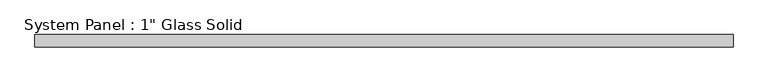
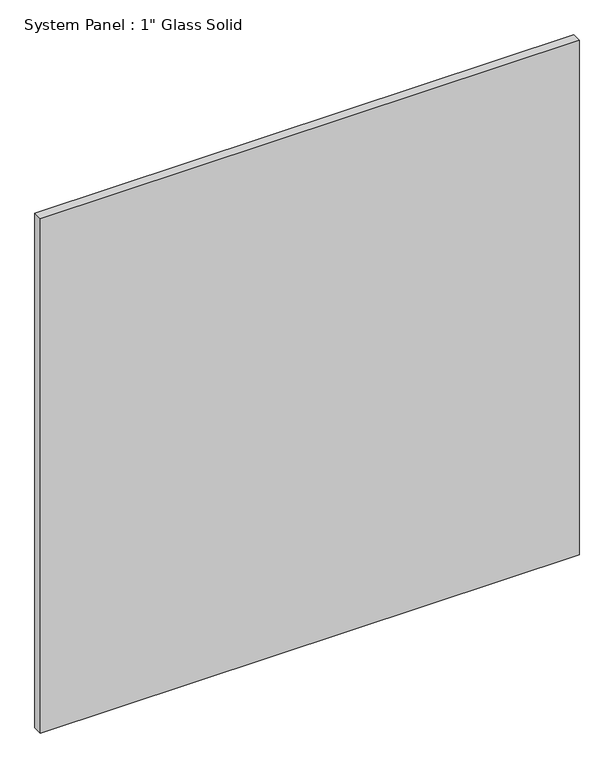
"""IFC4 building model written with IfcOpenShell, lengths in millimetres: plate geometry."""

from ifc_helpers import new_model, si_unit, origin, origin_with_axes, place, context, project, spatial, polyline, outline, extrude, source, transform, mapped, element, save


def plate_792acacb(model_context):
    return source(origin(), model_context, "Body", "SweptSolid", [
        extrude(outline(polyline([(716.4429024, -12.7), (-716.4429024, -12.7), (-716.4429024, 12.7), (716.4429024, 12.7), (716.4429024, -12.7)])), origin_with_axes(), (0.0, 0.0, 1.0), 1446.5317704),
    ])


if __name__ == "__main__":
    model = new_model("IFC4")
    model_context = context("Model", 3, world=origin())
    ifc_project = project(units=[si_unit("LENGTHUNIT", "METRE", prefix="MILLI")], contexts=[model_context])
    site = spatial("IfcSite", under=ifc_project)
    building = spatial("IfcBuilding", under=site)
    placement = place(None, origin())
    plate_shape = plate_792acacb(model_context)
    element("IfcPlate", 1, ObjectType="System Panel : 1\" Glass Solid", at=placement, inside=building, context=model_context, shape_type="MappedRepresentation", body=[
        mapped(plate_shape, transform((0.0, 0.0, 0.0), x_axis=(1.0, 0.0, 0.0), y_axis=(0.0, 1.0, 0.0), z_axis=(0.0, 0.0, 1.0))),
    ])
    save(model, "model.ifc")
